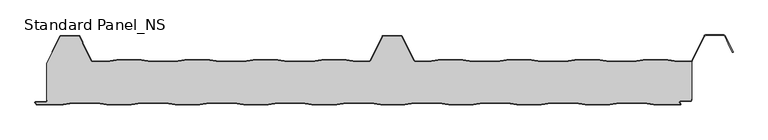
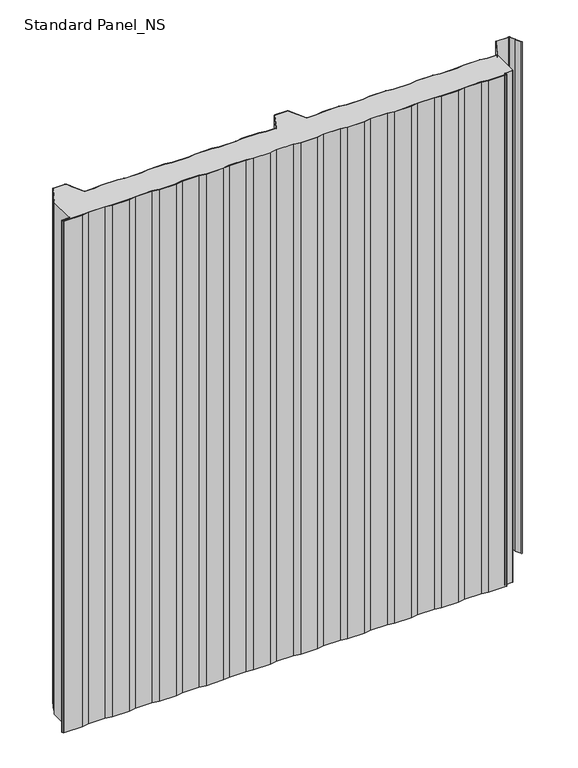
"""IFC4 building model written with IfcOpenShell, lengths in millimetres: proxy geometry, Standard Panel_NS."""

from ifc_helpers import new_model, si_unit, point, frame, frame_2d, origin, origin_with_axes, place, context, project, spatial, polyline, circle_curve, trimmed, segment, composite_curve, outline, extrude, source, transform, mapped, element, save
from ifc_brep_helpers import plane_surface, cylinder_surface, revolved_surface, advanced_brep


def standard_panel_ns_eb252aff(model_context):
    return source(origin(), model_context, "Body", "SolidModel", [
        advanced_brep(
        [(-464.8660923, 66.7, 1219.2), (-466.9237884, 67.9724364, 1219.2), (-480.4229673, 95.0045421, 1219.2), (-480.6503205, 95.7702853, 1219.2), (-480.840508, 97.4301555, 1219.2), (-485.0802057, 105.9201502, 1219.2), (-486.4221814, 106.75, 1219.2), (-513.5776371, 106.75, 1219.2), (-514.9196128, 105.9201502, 1219.2), (-535.7286766, 64.25, 1219.2), (-535.8382664, 8.130172, 1219.2), (-535.0382664, 8.130172, 1219.2), (-535.0382664, 6.2001721, 1219.2), (-537.2382661, 4.0001723, 1219.2), (-553.5680922, 4.0001723, 1219.2), (-551.4916498, 0.8, 1219.2), (-510.6394764, 0.8, 1219.2), (-495.6394764, 3.3, 1219.2), (-457.5070563, 3.3, 1219.2), (-442.5070563, 0.8, 1219.2), (-404.6394764, 0.8, 1219.2), (-389.6394764, 3.3, 1219.2), (-351.5070563, 3.3, 1219.2), (-336.5070563, 0.8, 1219.2), (-298.6394764, 0.8, 1219.2), (-283.6394764, 3.3, 1219.2), (-245.5070563, 3.3, 1219.2), (-230.5070563, 0.8, 1219.2), (-192.6394764, 0.8, 1219.2), (-177.6394764, 3.3, 1219.2), (-139.5070563, 3.3, 1219.2), (-124.5070563, 0.8, 1219.2), (-86.1394764, 0.8, 1219.2), (-71.1394764, 3.3, 1219.2), (-33.0070563, 3.3, 1219.2), (-18.0070563, 0.8, 1219.2), (19.3605236, 0.8, 1219.2), (34.3605236, 3.3, 1219.2), (72.4929437, 3.3, 1219.2), (87.4929437, 0.8, 1219.2), (125.3605236, 0.8, 1219.2), (140.3605236, 3.3, 1219.2), (178.4929437, 3.3, 1219.2), (193.4929437, 0.8, 1219.2), (231.3605236, 0.8, 1219.2), (246.3605236, 3.3, 1219.2), (284.4929437, 3.3, 1219.2), (299.4929437, 0.8, 1219.2), (337.3605236, 0.8, 1219.2), (352.3605236, 3.3, 1219.2), (390.4929437, 3.3, 1219.2), (405.4929437, 0.8, 1219.2), (446.6010518, 0.8, 1219.2), (444.965675, 3.3204106, 1219.2), (446.4756642, 6.1001721, 1219.2), (462.0617343, 6.1001721, 1219.2), (463.3617336, 7.4001714, 1219.2), (463.3617336, 9.4001722, 1219.2), (464.2, 9.4, 1219.2), (464.2327461, 67.1622719, 1219.2), (462.60413, 66.7, 1219.2), (442.3905918, 66.7, 1219.2), (427.5511987, 69.2, 1219.2), (389.4759874, 69.2, 1219.2), (374.6365943, 66.7, 1219.2), (336.3905918, 66.7, 1219.2), (321.5511987, 69.2, 1219.2), (283.4759874, 69.2, 1219.2), (268.6365943, 66.7, 1219.2), (230.3905918, 66.7, 1219.2), (215.5511987, 69.2, 1219.2), (177.4759874, 69.2, 1219.2), (162.6365943, 66.7, 1219.2), (124.3905918, 66.7, 1219.2), (109.5511987, 69.2, 1219.2), (71.4759874, 69.2, 1219.2), (56.6365943, 66.7, 1219.2), (36.4223629, 66.7, 1219.2), (33.6489464, 68.415023, 1219.2), (14.9197943, 105.9201502, 1219.2), (13.5778186, 106.75, 1219.2), (-13.5776371, 106.75, 1219.2), (-14.9196128, 105.9201502, 1219.2), (-33.648765, 68.415023, 1219.2), (-36.4221814, 66.7, 1219.2), (-56.6364129, 66.7, 1219.2), (-71.4758059, 69.2, 1219.2), (-109.5510173, 69.2, 1219.2), (-124.3904103, 66.7, 1219.2), (-162.6364129, 66.7, 1219.2), (-177.4758059, 69.2, 1219.2), (-215.5510173, 69.2, 1219.2), (-230.3904103, 66.7, 1219.2), (-268.6364129, 66.7, 1219.2), (-283.4758059, 69.2, 1219.2), (-321.5510173, 69.2, 1219.2), (-336.3904103, 66.7, 1219.2), (-374.6364129, 66.7, 1219.2), (-389.4758059, 69.2, 1219.2), (-427.5510173, 69.2, 1219.2), (-442.3904103, 66.7, 1219.2), (-464.8660923, 66.7, 0.0), (-442.3904103, 66.7, 0.0), (-427.5510173, 69.2, 0.0), (-389.4758059, 69.2, 0.0), (-374.6364129, 66.7, 0.0), (-336.3904103, 66.7, 0.0), (-321.5510173, 69.2, 0.0), (-283.4758059, 69.2, 0.0), (-268.6364129, 66.7, 0.0), (-230.3904103, 66.7, 0.0), (-215.5510173, 69.2, 0.0), (-177.4758059, 69.2, 0.0), (-162.6364129, 66.7, 0.0), (-124.3904103, 66.7, 0.0), (-109.5510173, 69.2, 0.0), (-71.4758059, 69.2, 0.0), (-56.6364129, 66.7, 0.0), (-36.4221814, 66.7, 0.0), (-33.648765, 68.415023, 0.0), (-14.9196128, 105.9201502, 0.0), (-13.5776371, 106.75, 0.0), (13.5778186, 106.75, 0.0), (14.9197943, 105.9201502, 0.0), (33.6489464, 68.415023, 0.0), (36.4223629, 66.7, 0.0), (56.6365943, 66.7, 0.0), (71.4759874, 69.2, 0.0), (109.5511987, 69.2, 0.0), (124.3905918, 66.7, 0.0), (162.6365943, 66.7, 0.0), (177.4759874, 69.2, 0.0), (215.5511987, 69.2, 0.0), (230.3905918, 66.7, 0.0), (268.6365943, 66.7, 0.0), (283.4759874, 69.2, 0.0), (321.5511987, 69.2, 0.0), (336.3905918, 66.7, 0.0), (374.6365943, 66.7, 0.0), (389.4759874, 69.2, 0.0), (427.5511987, 69.2, 0.0), (442.3905918, 66.7, 0.0), (462.60413, 66.7, 0.0), (464.2327461, 67.1622719, 0.0), (464.2, 9.4, 0.0), (463.3617336, 9.4, 0.0), (463.3617336, 7.4001714, 0.0), (462.0617343, 6.1001721, 0.0), (446.4756642, 6.1001721, 0.0), (444.965675, 3.3204106, 0.0), (446.6010518, 0.8, 0.0), (405.4929437, 0.8, 0.0), (390.4929437, 3.3, 0.0), (352.3605236, 3.3, 0.0), (337.3605236, 0.8, 0.0), (299.4929437, 0.8, 0.0), (284.4929437, 3.3, 0.0), (246.3605236, 3.3, 0.0), (231.3605236, 0.8, 0.0), (193.4929437, 0.8, 0.0), (178.4929437, 3.3, 0.0), (140.3605236, 3.3, 0.0), (125.3605236, 0.8, 0.0), (87.4929437, 0.8, 0.0), (72.4929437, 3.3, 0.0), (34.3605236, 3.3, 0.0), (19.3605236, 0.8, 0.0), (-18.0070563, 0.8, 0.0), (-33.0070563, 3.3, 0.0), (-71.1394764, 3.3, 0.0), (-86.1394764, 0.8, 0.0), (-124.5070563, 0.8, 0.0), (-139.5070563, 3.3, 0.0), (-177.6394764, 3.3, 0.0), (-192.6394764, 0.8, 0.0), (-230.5070563, 0.8, 0.0), (-245.5070563, 3.3, 0.0), (-283.6394764, 3.3, 0.0), (-298.6394764, 0.8, 0.0), (-336.5070563, 0.8, 0.0), (-351.5070563, 3.3, 0.0), (-389.6394764, 3.3, 0.0), (-404.6394764, 0.8, 0.0), (-442.5070563, 0.8, 0.0), (-457.5070563, 3.3, 0.0), (-495.6394764, 3.3, 0.0), (-510.6394764, 0.8, 0.0), (-551.4916498, 0.8, 0.0), (-553.5680922, 4.0001723, 0.0), (-537.2382661, 4.0001723, 0.0), (-535.0382664, 6.2001721, 0.0), (-535.0382664, 8.130172, 0.0), (-535.8382664, 8.130172, 0.0), (-535.7998185, 64.25, 0.0), (-514.9196128, 105.9201502, 0.0), (-513.5776371, 106.75, 0.0), (-486.4221814, 106.75, 0.0), (-485.0802057, 105.9201502, 0.0), (-480.840508, 97.4301555, 0.0), (-480.6503205, 95.7702853, 0.0), (-480.4229673, 95.0045421, 0.0), (-466.9237884, 67.9724364, 0.0)],
        [
            (0, 1, circle_curve(frame((-464.8660923, 69.0, 1219.2), z_axis=(0.0, 0.0, -1.0), x_axis=(-1.0, 0.0, 0.0)), 2.3)),
            (1, 2),
            (2, 3, circle_curve(frame((-478.3652712, 96.0321057, 1219.2), z_axis=(0.0, 0.0, -1.0), x_axis=(-1.0, 0.0, 0.0)), 2.3)),
            (3, 4),
            (4, 5),
            (5, 6, circle_curve(frame((-486.4221814, 105.25, 1219.2), z_axis=(0.0, 0.0, 1.0), x_axis=(-1.0, 0.0, 0.0)), 1.5)),
            (6, 7),
            (7, 8, circle_curve(frame((-513.5776371, 105.25, 1219.2), z_axis=(0.0, 0.0, 1.0), x_axis=(-1.0, 0.0, 0.0)), 1.5)),
            (8, 9),
            (9, 10),
            (10, 11),
            (11, 12),
            (12, 13, circle_curve(frame((-537.2382661, 6.2001721, 1219.2), z_axis=(0.0, 0.0, -1.0), x_axis=(-1.0, 0.0, 0.0)), 2.1999997)),
            (13, 14),
            (14, 15),
            (15, 16),
            (16, 17),
            (17, 18),
            (18, 19),
            (19, 20),
            (20, 21),
            (21, 22),
            (22, 23),
            (23, 24),
            (24, 25),
            (25, 26),
            (26, 27),
            (27, 28),
            (28, 29),
            (29, 30),
            (30, 31),
            (31, 32),
            (32, 33),
            (33, 34),
            (34, 35),
            (35, 36),
            (36, 37),
            (37, 38),
            (38, 39),
            (39, 40),
            (40, 41),
            (41, 42),
            (42, 43),
            (43, 44),
            (44, 45),
            (45, 46),
            (46, 47),
            (47, 48),
            (48, 49),
            (49, 50),
            (50, 51),
            (51, 52),
            (52, 53),
            (53, 54, circle_curve(frame((446.4756642, 4.3001721, 1219.2), z_axis=(0.0, 0.0, -1.0), x_axis=(-1.0, 0.0, 0.0)), 1.8)),
            (54, 55),
            (55, 56, circle_curve(frame((462.0617343, 7.4001714, 1219.2), z_axis=(0.0, 0.0, 1.0), x_axis=(-1.0, 0.0, 0.0)), 1.2999993)),
            (56, 57),
            (57, 58),
            (58, 59),
            (59, 60, circle_curve(frame((462.60413, 69.8, 1219.2), z_axis=(0.0, 0.0, -1.0), x_axis=(-1.0, 0.0, 0.0)), 3.1)),
            (60, 61),
            (61, 62),
            (62, 63),
            (63, 64),
            (64, 65),
            (65, 66),
            (66, 67),
            (67, 68),
            (68, 69),
            (69, 70),
            (70, 71),
            (71, 72),
            (72, 73),
            (73, 74),
            (74, 75),
            (75, 76),
            (76, 77),
            (77, 78, circle_curve(frame((36.4223629, 69.8, 1219.2), z_axis=(0.0, 0.0, -1.0), x_axis=(-1.0, 0.0, 0.0)), 3.1)),
            (78, 79),
            (79, 80, circle_curve(frame((13.5778186, 105.25, 1219.2), z_axis=(0.0, 0.0, 1.0), x_axis=(-1.0, 0.0, 0.0)), 1.5)),
            (80, 81),
            (81, 82, circle_curve(frame((-13.5776371, 105.25, 1219.2), z_axis=(0.0, 0.0, 1.0), x_axis=(-1.0, 0.0, 0.0)), 1.5)),
            (82, 83),
            (83, 84, circle_curve(frame((-36.4221814, 69.8, 1219.2), z_axis=(0.0, 0.0, -1.0), x_axis=(-1.0, 0.0, 0.0)), 3.1)),
            (84, 85),
            (85, 86),
            (86, 87),
            (87, 88),
            (88, 89),
            (89, 90),
            (90, 91),
            (91, 92),
            (92, 93),
            (93, 94),
            (94, 95),
            (95, 96),
            (96, 97),
            (97, 98),
            (98, 99),
            (99, 100),
            (100, 0),
            (101, 102),
            (102, 103),
            (103, 104),
            (104, 105),
            (105, 106),
            (106, 107),
            (107, 108),
            (108, 109),
            (109, 110),
            (110, 111),
            (111, 112),
            (112, 113),
            (113, 114),
            (114, 115),
            (115, 116),
            (116, 117),
            (117, 118),
            (118, 119, circle_curve(frame((-36.4221814, 69.8, 0.0), z_axis=(0.0, 0.0, 1.0), x_axis=(-1.0, 0.0, 0.0)), 3.1)),
            (119, 120),
            (120, 121, circle_curve(frame((-13.5776371, 105.25, 0.0), z_axis=(0.0, 0.0, -1.0), x_axis=(-1.0, 0.0, 0.0)), 1.5)),
            (121, 122),
            (122, 123, circle_curve(frame((13.5778186, 105.25, 0.0), z_axis=(0.0, 0.0, -1.0), x_axis=(-1.0, 0.0, 0.0)), 1.5)),
            (123, 124),
            (124, 125, circle_curve(frame((36.4223629, 69.8, 0.0), z_axis=(0.0, 0.0, 1.0), x_axis=(-1.0, 0.0, 0.0)), 3.1)),
            (125, 126),
            (126, 127),
            (127, 128),
            (128, 129),
            (129, 130),
            (130, 131),
            (131, 132),
            (132, 133),
            (133, 134),
            (134, 135),
            (135, 136),
            (136, 137),
            (137, 138),
            (138, 139),
            (139, 140),
            (140, 141),
            (141, 142),
            (142, 143, circle_curve(frame((462.60413, 69.8, 0.0), z_axis=(0.0, 0.0, 1.0), x_axis=(-1.0, 0.0, 0.0)), 3.1)),
            (143, 144),
            (144, 145),
            (145, 146),
            (146, 147, circle_curve(frame((462.0617343, 7.4001714, 0.0), z_axis=(0.0, 0.0, -1.0), x_axis=(-1.0, 0.0, 0.0)), 1.2999993)),
            (147, 148),
            (148, 149, circle_curve(frame((446.4756642, 4.3001721, 0.0), z_axis=(0.0, 0.0, 1.0), x_axis=(-1.0, 0.0, 0.0)), 1.8)),
            (149, 150),
            (150, 151),
            (151, 152),
            (152, 153),
            (153, 154),
            (154, 155),
            (155, 156),
            (156, 157),
            (157, 158),
            (158, 159),
            (159, 160),
            (160, 161),
            (161, 162),
            (162, 163),
            (163, 164),
            (164, 165),
            (165, 166),
            (166, 167),
            (167, 168),
            (168, 169),
            (169, 170),
            (170, 171),
            (171, 172),
            (172, 173),
            (173, 174),
            (174, 175),
            (175, 176),
            (176, 177),
            (177, 178),
            (178, 179),
            (179, 180),
            (180, 181),
            (181, 182),
            (182, 183),
            (183, 184),
            (184, 185),
            (185, 186),
            (186, 187),
            (187, 188),
            (188, 189),
            (189, 190, circle_curve(frame((-537.2382661, 6.2001721, 0.0), z_axis=(0.0, 0.0, 1.0), x_axis=(-1.0, 0.0, 0.0)), 2.1999997)),
            (190, 191),
            (191, 192),
            (192, 193),
            (193, 194),
            (194, 195, circle_curve(frame((-513.5776371, 105.25, 0.0), z_axis=(0.0, 0.0, -1.0), x_axis=(-1.0, 0.0, 0.0)), 1.5)),
            (195, 196),
            (196, 197, circle_curve(frame((-486.4221814, 105.25, 0.0), z_axis=(0.0, 0.0, -1.0), x_axis=(-1.0, 0.0, 0.0)), 1.5)),
            (197, 198),
            (198, 199),
            (199, 200, circle_curve(frame((-478.3652712, 96.0321057, 0.0), z_axis=(0.0, 0.0, 1.0), x_axis=(-1.0, 0.0, 0.0)), 2.3)),
            (200, 201),
            (201, 101, circle_curve(frame((-464.8660923, 69.0, 0.0), z_axis=(0.0, 0.0, 1.0), x_axis=(-1.0, 0.0, 0.0)), 2.3)),
            (0, 101),
            (201, 1),
            (200, 2),
            (199, 3),
            (198, 4),
            (197, 5),
            (196, 6),
            (195, 7),
            (194, 8),
            (193, 9),
            (143, 59),
            (58, 144),
            (142, 60),
            (141, 61),
            (140, 62),
            (139, 63),
            (138, 64),
            (137, 65),
            (136, 66),
            (135, 67),
            (134, 68),
            (133, 69),
            (132, 70),
            (131, 71),
            (130, 72),
            (129, 73),
            (128, 74),
            (127, 75),
            (126, 76),
            (125, 77),
            (124, 78),
            (123, 79),
            (122, 80),
            (121, 81),
            (120, 82),
            (119, 83),
            (118, 84),
            (117, 85),
            (116, 86),
            (115, 87),
            (114, 88),
            (113, 89),
            (112, 90),
            (111, 91),
            (110, 92),
            (109, 93),
            (108, 94),
            (107, 95),
            (106, 96),
            (105, 97),
            (104, 98),
            (103, 99),
            (102, 100),
            (57, 145),
            (192, 10),
            (12, 190),
            (189, 13),
            (188, 14),
            (187, 15),
            (186, 16),
            (185, 17),
            (184, 18),
            (183, 19),
            (182, 20),
            (181, 21),
            (180, 22),
            (179, 23),
            (178, 24),
            (177, 25),
            (176, 26),
            (175, 27),
            (174, 28),
            (173, 29),
            (172, 30),
            (171, 31),
            (170, 32),
            (169, 33),
            (168, 34),
            (167, 35),
            (166, 36),
            (165, 37),
            (164, 38),
            (163, 39),
            (162, 40),
            (161, 41),
            (160, 42),
            (159, 43),
            (158, 44),
            (157, 45),
            (156, 46),
            (155, 47),
            (154, 48),
            (153, 49),
            (152, 50),
            (151, 51),
            (150, 52),
            (149, 53),
            (148, 54),
            (147, 55),
            (146, 56),
            (191, 11),
        ],
        [
            plane_surface(frame((9.07e-05, 69.2, 1219.2), z_axis=(0.0, 0.0, 1.0), x_axis=(0.0, 1.0, 0.0))),
            plane_surface(frame((9.07e-05, 69.2, 0.0), z_axis=(0.0, 0.0, -1.0), x_axis=(0.0, 1.0, 0.0))),
            revolved_surface(polyline([(-467.1660923, 69.0, 0.0), (-467.1660923, 69.0, 1219.2)]), (-464.8660923, 69.0, 1219.2), (0.0, 0.0, -1.0)),
            plane_surface(frame((-466.9237884, 67.9724364, 1219.2), z_axis=(0.8946504628058127, 0.44676677293789996, 0.0), x_axis=(0.0, 0.0, -1.0))),
            revolved_surface(polyline([(-480.6652712, 96.0321057, 0.0), (-480.6652712, 96.0321057, 1219.2)]), (-478.3652712, 96.0321057, 1219.2), (0.0, 0.0, -1.0)),
            plane_surface(frame((-480.6503205, 95.7702853, 1219.2), z_axis=(0.9934996737929253, 0.113834960242235, 0.0), x_axis=(0.0, 0.0, -1.0))),
            plane_surface(frame((-480.840508, 97.4301555, 1219.2), z_axis=(0.8946504628055771, 0.44676677293837186, 0.0), x_axis=(0.0, 0.0, -1.0))),
            cylinder_surface(frame((-486.4221814, 105.25, 1219.2), z_axis=(0.0, 0.0, 1.0), x_axis=(-1.0, 0.0, 0.0)), 1.5),
            plane_surface(frame((-486.4221814, 106.75, 1219.2), z_axis=(0.0, 1.0, 0.0), x_axis=(0.0, 0.0, -1.0))),
            cylinder_surface(frame((-513.5776371, 105.25, 1219.2), z_axis=(0.0, 0.0, 1.0), x_axis=(-1.0, 0.0, 0.0)), 1.5),
            plane_surface(frame((-514.9196128, 105.9201502, 1219.2), z_axis=(-0.8946504628064579, 0.44676677293660805, 0.0), x_axis=(0.0, 0.0, -1.0))),
            plane_surface(frame((464.2327461, 64.25, 1219.2), z_axis=(1.0, 0.0, 0.0), x_axis=(0.0, 0.0, -1.0))),
            revolved_surface(polyline([(459.50413, 69.8, 0.0), (459.50413, 69.8, 1219.2)]), (462.60413, 69.8, 1219.2), (0.0, 0.0, -1.0)),
            plane_surface(frame((462.60413, 66.7, 1219.2), z_axis=(0.0, 1.0, 0.0), x_axis=(0.0, 0.0, -1.0))),
            plane_surface(frame((442.3905918, 66.7, 1219.2), z_axis=(0.16612942863435848, 0.9861039564577467, 0.0), x_axis=(0.0, 0.0, -1.0))),
            plane_surface(frame((427.5511987, 69.2, 1219.2), z_axis=(0.0, 1.0, 0.0), x_axis=(0.0, 0.0, -1.0))),
            plane_surface(frame((389.4759874, 69.2, 1219.2), z_axis=(-0.16612942863454067, 0.9861039564577161, 0.0), x_axis=(0.0, 0.0, -1.0))),
            plane_surface(frame((374.6365943, 66.7, 1219.2), z_axis=(0.0, 1.0, 0.0), x_axis=(0.0, 0.0, -1.0))),
            plane_surface(frame((336.3905918, 66.7, 1219.2), z_axis=(0.1661294286345235, 0.986103956457719, 0.0), x_axis=(0.0, 0.0, -1.0))),
            plane_surface(frame((321.5511987, 69.2, 1219.2), z_axis=(0.0, 1.0, 0.0), x_axis=(0.0, 0.0, -1.0))),
            plane_surface(frame((283.4759874, 69.2, 1219.2), z_axis=(-0.16612942863454067, 0.9861039564577161, 0.0), x_axis=(0.0, 0.0, -1.0))),
            plane_surface(frame((268.6365943, 66.7, 1219.2), z_axis=(0.0, 1.0, 0.0), x_axis=(0.0, 0.0, -1.0))),
            plane_surface(frame((230.3905918, 66.7, 1219.2), z_axis=(0.16612942863435848, 0.9861039564577467, 0.0), x_axis=(0.0, 0.0, -1.0))),
            plane_surface(frame((215.5511987, 69.2, 1219.2), z_axis=(0.0, 1.0, 0.0), x_axis=(0.0, 0.0, -1.0))),
            plane_surface(frame((177.4759874, 69.2, 1219.2), z_axis=(-0.16612942863472926, 0.9861039564576843, 0.0), x_axis=(0.0, 0.0, -1.0))),
            plane_surface(frame((162.6365943, 66.7, 1219.2), z_axis=(0.0, 1.0, 0.0), x_axis=(0.0, 0.0, -1.0))),
            plane_surface(frame((124.3905918, 66.7, 1219.2), z_axis=(0.1661294286345235, 0.986103956457719, 0.0), x_axis=(0.0, 0.0, -1.0))),
            plane_surface(frame((109.5511987, 69.2, 1219.2), z_axis=(0.0, 1.0, 0.0), x_axis=(0.0, 0.0, -1.0))),
            plane_surface(frame((71.4759874, 69.2, 1219.2), z_axis=(-0.16612942863435204, 0.9861039564577478, 0.0), x_axis=(0.0, 0.0, -1.0))),
            plane_surface(frame((56.6365943, 66.7, 1219.2), z_axis=(0.0, 1.0, 0.0), x_axis=(0.0, 0.0, -1.0))),
            revolved_surface(polyline([(33.3223629, 69.8, 0.0), (33.3223629, 69.8, 1219.2)]), (36.4223629, 69.8, 1219.2), (0.0, 0.0, -1.0)),
            plane_surface(frame((33.6489464, 68.415023, 1219.2), z_axis=(0.8946504628060804, 0.44676677293736405, 0.0), x_axis=(0.0, 0.0, -1.0))),
            cylinder_surface(frame((13.5778186, 105.25, 1219.2), z_axis=(0.0, 0.0, 1.0), x_axis=(-1.0, 0.0, 0.0)), 1.5),
            plane_surface(frame((13.5778186, 106.75, 1219.2), z_axis=(0.0, 1.0, 0.0), x_axis=(0.0, 0.0, -1.0))),
            cylinder_surface(frame((-13.5776371, 105.25, 1219.2), z_axis=(0.0, 0.0, 1.0), x_axis=(-1.0, 0.0, 0.0)), 1.5),
            plane_surface(frame((-14.9196128, 105.9201502, 1219.2), z_axis=(-0.8946504628059846, 0.4467667729375559, 0.0), x_axis=(0.0, 0.0, -1.0))),
            revolved_surface(polyline([(-39.5221814, 69.8, 0.0), (-39.5221814, 69.8, 1219.2)]), (-36.4221814, 69.8, 1219.2), (0.0, 0.0, -1.0)),
            plane_surface(frame((-36.4221814, 66.7, 1219.2), z_axis=(0.0, 1.0, 0.0), x_axis=(0.0, 0.0, -1.0))),
            plane_surface(frame((-56.6364129, 66.7, 1219.2), z_axis=(0.16612942863461477, 0.9861039564577035, 0.0), x_axis=(0.0, 0.0, -1.0))),
            plane_surface(frame((-71.4758059, 69.2, 1219.2), z_axis=(0.0, 1.0, 0.0), x_axis=(0.0, 0.0, -1.0))),
            plane_surface(frame((-109.5510173, 69.2, 1219.2), z_axis=(-0.16612942863482053, 0.9861039564576689, 0.0), x_axis=(0.0, 0.0, -1.0))),
            plane_surface(frame((-124.3904103, 66.7, 1219.2), z_axis=(0.0, 1.0, 0.0), x_axis=(0.0, 0.0, -1.0))),
            plane_surface(frame((-162.6364129, 66.7, 1219.2), z_axis=(0.16612942863457067, 0.986103956457711, 0.0), x_axis=(0.0, 0.0, -1.0))),
            plane_surface(frame((-177.4758059, 69.2, 1219.2), z_axis=(0.0, 1.0, 0.0), x_axis=(0.0, 0.0, -1.0))),
            plane_surface(frame((-215.5510173, 69.2, 1219.2), z_axis=(-0.16612942863435204, 0.9861039564577478, 0.0), x_axis=(0.0, 0.0, -1.0))),
            plane_surface(frame((-230.3904103, 66.7, 1219.2), z_axis=(0.0, 1.0, 0.0), x_axis=(0.0, 0.0, -1.0))),
            plane_surface(frame((-268.6364129, 66.7, 1219.2), z_axis=(0.1661294286345471, 0.986103956457715, 0.0), x_axis=(0.0, 0.0, -1.0))),
            plane_surface(frame((-283.4758059, 69.2, 1219.2), z_axis=(0.0, 1.0, 0.0), x_axis=(0.0, 0.0, -1.0))),
            plane_surface(frame((-321.5510173, 69.2, 1219.2), z_axis=(-0.16612942863454067, 0.9861039564577161, 0.0), x_axis=(0.0, 0.0, -1.0))),
            plane_surface(frame((-336.3904103, 66.7, 1219.2), z_axis=(0.0, 1.0, 0.0), x_axis=(0.0, 0.0, -1.0))),
            plane_surface(frame((-374.6364129, 66.7, 1219.2), z_axis=(0.1661294286345471, 0.986103956457715, 0.0), x_axis=(0.0, 0.0, -1.0))),
            plane_surface(frame((-389.4758059, 69.2, 1219.2), z_axis=(0.0, 1.0, 0.0), x_axis=(0.0, 0.0, -1.0))),
            plane_surface(frame((-427.5510173, 69.2, 1219.2), z_axis=(-0.16612942863472926, 0.9861039564576843, 0.0), x_axis=(0.0, 0.0, -1.0))),
            plane_surface(frame((-442.3904103, 66.7, 1219.2), z_axis=(0.0, 1.0, 0.0), x_axis=(0.0, 0.0, -1.0))),
            plane_surface(frame((-535.7998185, 9.4, 1219.2), z_axis=(0.0, -1.0, 0.0), x_axis=(0.0, 0.0, -1.0))),
            plane_surface(frame((-535.7998185, 64.25, 1219.2), z_axis=(-1.0, 0.0, 0.0), x_axis=(0.0, 0.0, -1.0))),
            revolved_surface(polyline([(-539.4382658000001, 6.2001721, 0.0), (-539.4382658000001, 6.2001721, 1219.2)]), (-537.2382661, 6.2001721, 1219.2), (0.0, 0.0, -1.0)),
            plane_surface(frame((-537.2382661, 4.0001723, 1219.2), z_axis=(0.0, 1.0, 0.0), x_axis=(0.0, 0.0, -1.0))),
            plane_surface(frame((-553.5680922, 4.0001723, 1219.2), z_axis=(-0.8388828900560089, -0.5443119480328152, 0.0), x_axis=(0.0, 0.0, -1.0))),
            plane_surface(frame((-551.4916498, 0.8, 1219.2), z_axis=(0.0, -1.0, 0.0), x_axis=(0.0, 0.0, -1.0))),
            plane_surface(frame((-510.6394764, 0.8, 1219.2), z_axis=(0.16439898730529637, -0.986393923832154, 0.0), x_axis=(0.0, 0.0, -1.0))),
            plane_surface(frame((-495.6394764, 3.3, 1219.2), z_axis=(0.0, -1.0, 0.0), x_axis=(0.0, 0.0, -1.0))),
            plane_surface(frame((-457.5070563, 3.3, 1219.2), z_axis=(-0.1643989873053497, -0.9863939238321451, 0.0), x_axis=(0.0, 0.0, -1.0))),
            plane_surface(frame((-442.5070563, 0.8, 1219.2), z_axis=(0.0, -1.0, 0.0), x_axis=(0.0, 0.0, -1.0))),
            plane_surface(frame((-404.6394764, 0.8, 1219.2), z_axis=(0.16439898730534544, -0.9863939238321457, 0.0), x_axis=(0.0, 0.0, -1.0))),
            plane_surface(frame((-389.6394764, 3.3, 1219.2), z_axis=(0.0, -1.0, 0.0), x_axis=(0.0, 0.0, -1.0))),
            plane_surface(frame((-351.5070563, 3.3, 1219.2), z_axis=(-0.16439898730537528, -0.9863939238321408, 0.0), x_axis=(0.0, 0.0, -1.0))),
            plane_surface(frame((-336.5070563, 0.8, 1219.2), z_axis=(0.0, -1.0, 0.0), x_axis=(0.0, 0.0, -1.0))),
            plane_surface(frame((-298.6394764, 0.8, 1219.2), z_axis=(0.16439898730518882, -0.9863939238321718, 0.0), x_axis=(0.0, 0.0, -1.0))),
            plane_surface(frame((-283.6394764, 3.3, 1219.2), z_axis=(0.0, -1.0, 0.0), x_axis=(0.0, 0.0, -1.0))),
            plane_surface(frame((-245.5070563, 3.3, 1219.2), z_axis=(-0.16439898730526595, -0.986393923832159, 0.0), x_axis=(0.0, 0.0, -1.0))),
            plane_surface(frame((-230.5070563, 0.8, 1219.2), z_axis=(0.0, -1.0, 0.0), x_axis=(0.0, 0.0, -1.0))),
            plane_surface(frame((-192.6394764, 0.8, 1219.2), z_axis=(0.1643989873054454, -0.9863939238321291, 0.0), x_axis=(0.0, 0.0, -1.0))),
            plane_surface(frame((-177.6394764, 3.3, 1219.2), z_axis=(0.0, -1.0, 0.0), x_axis=(0.0, 0.0, -1.0))),
            plane_surface(frame((-139.5070563, 3.3, 1219.2), z_axis=(-0.16439898730351146, -0.9863939238324514, 0.0), x_axis=(0.0, 0.0, -1.0))),
            plane_surface(frame((-124.5070563, 0.8, 1219.2), z_axis=(0.0, -1.0, 0.0), x_axis=(0.0, 0.0, -1.0))),
            plane_surface(frame((-86.1394764, 0.8, 1219.2), z_axis=(0.16439898730531116, -0.9863939238321515, 0.0), x_axis=(0.0, 0.0, -1.0))),
            plane_surface(frame((-71.1394764, 3.3, 1219.2), z_axis=(0.0, -1.0, 0.0), x_axis=(0.0, 0.0, -1.0))),
            plane_surface(frame((-33.0070563, 3.3, 1219.2), z_axis=(-0.1643989873007139, -0.9863939238329177, 0.0), x_axis=(0.0, 0.0, -1.0))),
            plane_surface(frame((-18.0070563, 0.8, 1219.2), z_axis=(0.0, -1.0, 0.0), x_axis=(0.0, 0.0, -1.0))),
            plane_surface(frame((19.3605236, 0.8, 1219.2), z_axis=(0.16439898730276062, -0.9863939238325765, 0.0), x_axis=(0.0, 0.0, -1.0))),
            plane_surface(frame((34.3605236, 3.3, 1219.2), z_axis=(0.0, -1.0, 0.0), x_axis=(0.0, 0.0, -1.0))),
            plane_surface(frame((72.4929437, 3.3, 1219.2), z_axis=(-0.1643989873053467, -0.9863939238321456, 0.0), x_axis=(0.0, 0.0, -1.0))),
            plane_surface(frame((87.4929437, 0.8, 1219.2), z_axis=(0.0, -1.0, 0.0), x_axis=(0.0, 0.0, -1.0))),
            plane_surface(frame((125.3605236, 0.8, 1219.2), z_axis=(0.1643989873053679, -0.9863939238321421, 0.0), x_axis=(0.0, 0.0, -1.0))),
            plane_surface(frame((140.3605236, 3.3, 1219.2), z_axis=(0.0, -1.0, 0.0), x_axis=(0.0, 0.0, -1.0))),
            plane_surface(frame((178.4929437, 3.3, 1219.2), z_axis=(-0.1643989873053467, -0.9863939238321456, 0.0), x_axis=(0.0, 0.0, -1.0))),
            plane_surface(frame((193.4929437, 0.8, 1219.2), z_axis=(0.0, -1.0, 0.0), x_axis=(0.0, 0.0, -1.0))),
            plane_surface(frame((231.3605236, 0.8, 1219.2), z_axis=(0.16439898730518315, -0.9863939238321728, 0.0), x_axis=(0.0, 0.0, -1.0))),
            plane_surface(frame((246.3605236, 3.3, 1219.2), z_axis=(0.0, -1.0, 0.0), x_axis=(0.0, 0.0, -1.0))),
            plane_surface(frame((284.4929437, 3.3, 1219.2), z_axis=(-0.1643989873053467, -0.9863939238321456, 0.0), x_axis=(0.0, 0.0, -1.0))),
            plane_surface(frame((299.4929437, 0.8, 1219.2), z_axis=(0.0, -1.0, 0.0), x_axis=(0.0, 0.0, -1.0))),
            plane_surface(frame((337.3605236, 0.8, 1219.2), z_axis=(0.1643989873053679, -0.9863939238321421, 0.0), x_axis=(0.0, 0.0, -1.0))),
            plane_surface(frame((352.3605236, 3.3, 1219.2), z_axis=(0.0, -1.0, 0.0), x_axis=(0.0, 0.0, -1.0))),
            plane_surface(frame((390.4929437, 3.3, 1219.2), z_axis=(-0.16439898730516195, -0.9863939238321764, 0.0), x_axis=(0.0, 0.0, -1.0))),
            plane_surface(frame((405.4929437, 0.8, 1219.2), z_axis=(0.0, -1.0, 0.0), x_axis=(0.0, 0.0, -1.0))),
            plane_surface(frame((446.6010518, 0.8, 1219.2), z_axis=(0.8388828900539764, 0.5443119480359477, 0.0), x_axis=(0.0, 0.0, -1.0))),
            revolved_surface(polyline([(444.67566419999997, 4.3001721, 0.0), (444.67566419999997, 4.3001721, 1219.2)]), (446.4756642, 4.3001721, 1219.2), (0.0, 0.0, -1.0)),
            plane_surface(frame((446.4756642, 6.1001721, 1219.2), z_axis=(0.0, -1.0, 0.0), x_axis=(0.0, 0.0, -1.0))),
            cylinder_surface(frame((462.0617343, 7.4001714, 1219.2), z_axis=(0.0, 0.0, 1.0), x_axis=(-1.0, 0.0, 0.0)), 1.2999993),
            plane_surface(frame((463.3617336, 7.4001714, 1219.2), z_axis=(1.0, 0.0, 0.0), x_axis=(0.0, 0.0, -1.0))),
            plane_surface(frame((-535.8382664, 8.130172, 1219.2), z_axis=(0.0, -1.0, 0.0), x_axis=(0.0, 0.0, -1.0))),
            plane_surface(frame((-535.0382664, 8.130172, 1219.2), z_axis=(-1.0, 0.0, 0.0), x_axis=(0.0, 0.0, -1.0))),
        ],
        [
            (0, [[1, 2, 3, 4, 5, 6, 7, 8, 9, 10, 11, 12, 13, 14, 15, 16, 17, 18, 19, 20, 21, 22, 23, 24, 25, 26, 27, 28, 29, 30, 31, 32, 33, 34, 35, 36, 37, 38, 39, 40, 41, 42, 43, 44, 45, 46, 47, 48, 49, 50, 51, 52, 53, 54, 55, 56, 57, 58, 59, 60, 61, 62, 63, 64, 65, 66, 67, 68, 69, 70, 71, 72, 73, 74, 75, 76, 77, 78, 79, 80, 81, 82, 83, 84, 85, 86, 87, 88, 89, 90, 91, 92, 93, 94, 95, 96, 97, 98, 99, 100, 101]]),
            (1, [[102, 103, 104, 105, 106, 107, 108, 109, 110, 111, 112, 113, 114, 115, 116, 117, 118, 119, 120, 121, 122, 123, 124, 125, 126, 127, 128, 129, 130, 131, 132, 133, 134, 135, 136, 137, 138, 139, 140, 141, 142, 143, 144, 145, 146, 147, 148, 149, 150, 151, 152, 153, 154, 155, 156, 157, 158, 159, 160, 161, 162, 163, 164, 165, 166, 167, 168, 169, 170, 171, 172, 173, 174, 175, 176, 177, 178, 179, 180, 181, 182, 183, 184, 185, 186, 187, 188, 189, 190, 191, 192, 193, 194, 195, 196, 197, 198, 199, 200, 201, 202]]),
            (2, [[-1, 203, -202, 204]]),
            (3, [[-2, -204, -201, 205]]),
            (4, [[-3, -205, -200, 206]]),
            (5, [[-4, -206, -199, 207]]),
            (6, [[-5, -207, -198, 208]]),
            (7, [[-6, -208, -197, 209]]),
            (8, [[-7, -209, -196, 210]]),
            (9, [[-8, -210, -195, 211]]),
            (10, [[-9, -211, -194, 212]]),
            (11, [[213, -59, 214, -144]]),
            (12, [[-60, -213, -143, 215]]),
            (13, [[-61, -215, -142, 216]]),
            (14, [[-62, -216, -141, 217]]),
            (15, [[-63, -217, -140, 218]]),
            (16, [[-64, -218, -139, 219]]),
            (17, [[-65, -219, -138, 220]]),
            (18, [[-66, -220, -137, 221]]),
            (19, [[-67, -221, -136, 222]]),
            (20, [[-68, -222, -135, 223]]),
            (21, [[-69, -223, -134, 224]]),
            (22, [[-70, -224, -133, 225]]),
            (23, [[-71, -225, -132, 226]]),
            (24, [[-72, -226, -131, 227]]),
            (25, [[-73, -227, -130, 228]]),
            (26, [[-74, -228, -129, 229]]),
            (27, [[-75, -229, -128, 230]]),
            (28, [[-76, -230, -127, 231]]),
            (29, [[-77, -231, -126, 232]]),
            (30, [[-78, -232, -125, 233]]),
            (31, [[-79, -233, -124, 234]]),
            (32, [[-80, -234, -123, 235]]),
            (33, [[-81, -235, -122, 236]]),
            (34, [[-82, -236, -121, 237]]),
            (35, [[-83, -237, -120, 238]]),
            (36, [[-84, -238, -119, 239]]),
            (37, [[-85, -239, -118, 240]]),
            (38, [[-86, -240, -117, 241]]),
            (39, [[-87, -241, -116, 242]]),
            (40, [[-88, -242, -115, 243]]),
            (41, [[-89, -243, -114, 244]]),
            (42, [[-90, -244, -113, 245]]),
            (43, [[-91, -245, -112, 246]]),
            (44, [[-92, -246, -111, 247]]),
            (45, [[-93, -247, -110, 248]]),
            (46, [[-94, -248, -109, 249]]),
            (47, [[-95, -249, -108, 250]]),
            (48, [[-96, -250, -107, 251]]),
            (49, [[-97, -251, -106, 252]]),
            (50, [[-98, -252, -105, 253]]),
            (51, [[-99, -253, -104, 254]]),
            (52, [[-100, -254, -103, 255]]),
            (53, [[-101, -255, -102, -203]]),
            (54, [[-214, -58, 256, -145]]),
            (55, [[-10, -212, -193, 257]]),
            (56, [[-13, 258, -190, 259]]),
            (57, [[-14, -259, -189, 260]]),
            (58, [[-15, -260, -188, 261]]),
            (59, [[-16, -261, -187, 262]]),
            (60, [[-17, -262, -186, 263]]),
            (61, [[-18, -263, -185, 264]]),
            (62, [[-19, -264, -184, 265]]),
            (63, [[-20, -265, -183, 266]]),
            (64, [[-21, -266, -182, 267]]),
            (65, [[-22, -267, -181, 268]]),
            (66, [[-23, -268, -180, 269]]),
            (67, [[-24, -269, -179, 270]]),
            (68, [[-25, -270, -178, 271]]),
            (69, [[-26, -271, -177, 272]]),
            (70, [[-27, -272, -176, 273]]),
            (71, [[-28, -273, -175, 274]]),
            (72, [[-29, -274, -174, 275]]),
            (73, [[-30, -275, -173, 276]]),
            (74, [[-31, -276, -172, 277]]),
            (75, [[-32, -277, -171, 278]]),
            (76, [[-33, -278, -170, 279]]),
            (77, [[-34, -279, -169, 280]]),
            (78, [[-35, -280, -168, 281]]),
            (79, [[-36, -281, -167, 282]]),
            (80, [[-37, -282, -166, 283]]),
            (81, [[-38, -283, -165, 284]]),
            (82, [[-39, -284, -164, 285]]),
            (83, [[-40, -285, -163, 286]]),
            (84, [[-41, -286, -162, 287]]),
            (85, [[-42, -287, -161, 288]]),
            (86, [[-43, -288, -160, 289]]),
            (87, [[-44, -289, -159, 290]]),
            (88, [[-45, -290, -158, 291]]),
            (89, [[-46, -291, -157, 292]]),
            (90, [[-47, -292, -156, 293]]),
            (91, [[-48, -293, -155, 294]]),
            (92, [[-49, -294, -154, 295]]),
            (93, [[-50, -295, -153, 296]]),
            (94, [[-51, -296, -152, 297]]),
            (95, [[-52, -297, -151, 298]]),
            (96, [[-53, -298, -150, 299]]),
            (97, [[-54, -299, -149, 300]]),
            (98, [[-55, -300, -148, 301]]),
            (99, [[-56, -301, -147, 302]]),
            (100, [[-57, -302, -146, -256]]),
            (101, [[-11, -257, -192, 303]]),
            (102, [[-12, -303, -191, -258]]),
        ],
    ),
        extrude(outline(composite_curve([segment(polyline([(-535.8382664, 6.2001721), (-535.8382664, 8.130172), (-535.0382664, 8.130172), (-535.0382664, 6.2001721)]), True, "CONTINUOUS"), segment(trimmed(circle_curve(frame_2d((-537.2382661, 6.2001721)), 2.1999997), [point((-535.0382664, 6.2001721))], [point((-537.2382661, 4.0001723))], False, "CARTESIAN"), True, "CONTINUOUS"), segment(polyline([(-537.2382661, 4.0001723), (-553.5680922, 4.0001723), (-551.4916498, 0.8), (-510.6394764, 0.8), (-495.6394764, 3.3), (-457.5070563, 3.3), (-442.5070563, 0.8), (-404.6394764, 0.8), (-389.6394764, 3.3), (-351.5070563, 3.3), (-336.5070563, 0.8), (-298.6394764, 0.8), (-283.6394764, 3.3), (-245.5070563, 3.3), (-230.5070563, 0.8), (-192.6394764, 0.8), (-177.6394764, 3.3), (-139.5070563, 3.3), (-124.5070563, 0.8), (-86.1394764, 0.8), (-71.1394764, 3.3), (-33.0070563, 3.3), (-18.0070563, 0.8), (19.3605236, 0.8), (34.3605236, 3.3), (72.4929437, 3.3), (87.4929437, 0.8), (125.3605236, 0.8), (140.3605236, 3.3), (178.4929437, 3.3), (193.4929437, 0.8), (231.3605236, 0.8), (246.3605236, 3.3), (284.4929437, 3.3), (299.4929437, 0.8), (337.3605236, 0.8), (352.3605236, 3.3), (390.4929437, 3.3), (405.4929437, 0.8), (446.6010518, 0.8), (444.965675, 3.3204106)]), True, "CONTINUOUS"), segment(trimmed(circle_curve(frame_2d((446.4756642, 4.3001721)), 1.8), [point((444.965675, 3.3204106))], [point((446.4756642, 6.1001721))], False, "CARTESIAN"), True, "CONTINUOUS"), segment(polyline([(446.4756642, 6.1001721), (462.0617343, 6.1001721)]), True, "CONTINUOUS"), segment(trimmed(circle_curve(frame_2d((462.0617343, 7.4001714)), 1.2999993), [point((462.0617343, 6.1001721))], [point((463.3617336, 7.4001714))], True, "CARTESIAN"), True, "CONTINUOUS"), segment(polyline([(463.3617336, 7.4001714), (463.3617336, 9.4001722), (464.1617336, 9.4001722), (464.1617336, 7.4001714)]), True, "CONTINUOUS"), segment(trimmed(circle_curve(frame_2d((462.0617343, 7.4001714)), 2.0999993), [point((464.1617336, 7.4001714))], [point((462.0617343, 5.3001721))], False, "CARTESIAN"), True, "CONTINUOUS"), segment(polyline([(462.0617343, 5.3001721), (446.4756642, 5.3001721)]), True, "CONTINUOUS"), segment(trimmed(circle_curve(frame_2d((446.4756642, 4.3001721)), 1.0), [point((446.4756642, 5.3001721))], [point((445.6367813, 3.7558601))], True, "CARTESIAN"), True, "CONTINUOUS"), segment(polyline([(445.6367813, 3.7558601), (447.0717517, 1.5443119)]), True, "CONTINUOUS"), segment(trimmed(circle_curve(frame_2d((446.2328688, 1.0)), 1.0), [point((447.0717517, 1.5443119))], [point((446.2328688, 0.0))], False, "CARTESIAN"), True, "CONTINUOUS"), segment(polyline([(446.2328688, 0.0), (405.4267336, 0.0), (390.4267336, 2.5), (352.4267336, 2.5), (337.4267336, 0.0), (299.4267336, 0.0), (284.4267336, 2.5), (246.4267336, 2.5), (231.4267336, 0.0), (193.4267336, 0.0), (178.4267336, 2.5), (140.4267336, 2.5), (125.4267336, 0.0), (87.4267336, 0.0), (72.4267336, 2.5), (34.4267336, 2.5), (19.4267336, 0.0), (-18.0732664, 0.0), (-33.0732664, 2.5), (-71.0732664, 2.5), (-86.0732664, 0.0), (-124.5732664, 0.0), (-139.5732664, 2.5), (-177.5732664, 2.5), (-192.5732664, 0.0), (-230.5732664, 0.0), (-245.5732664, 2.5), (-283.5732664, 2.5), (-298.5732664, 0.0), (-336.5732664, 0.0), (-351.5732664, 2.5), (-389.5732664, 2.5), (-404.5732664, 0.0), (-442.5732664, 0.0), (-457.5732664, 2.5), (-495.5732664, 2.5), (-510.5732664, 0.0), (-551.3830082, 0.0)]), True, "CONTINUOUS"), segment(trimmed(circle_curve(frame_2d((-551.3830082, 1.0)), 1.0), [point((-551.3830082, 0.0))], [point((-552.2218911, 0.4556881))], False, "CARTESIAN"), True, "CONTINUOUS"), segment(polyline([(-552.2218911, 0.4556881), (-554.0387922, 3.2558604)]), True, "CONTINUOUS"), segment(trimmed(circle_curve(frame_2d((-553.1999093, 3.8001723)), 1.0), [point((-554.0387922, 3.2558604))], [point((-553.1999093, 4.8001723))], False, "CARTESIAN"), True, "CONTINUOUS"), segment(polyline([(-553.1999093, 4.8001723), (-537.2382661, 4.8001723)]), True, "CONTINUOUS"), segment(trimmed(circle_curve(frame_2d((-537.2382661, 6.2001721)), 1.3999997), [point((-537.2382661, 4.8001723))], [point((-535.8382664, 6.2001721))], True, "CARTESIAN"), True, "CONTINUOUS")], self_intersect=False)), origin_with_axes(), (0.0, 0.0, 1.0), 1219.2),
        extrude(outline(composite_curve([segment(trimmed(circle_curve(frame_2d((-464.8660923, 69.0)), 2.3), [point((-464.8660923, 66.7))], [point((-466.9237884, 67.9724364))], False, "CARTESIAN"), True, "CONTINUOUS"), segment(polyline([(-466.9237884, 67.9724364), (-480.4229673, 95.0045421)]), True, "CONTINUOUS"), segment(trimmed(circle_curve(frame_2d((-478.3652712, 96.0321057)), 2.3), [point((-480.4229673, 95.0045421))], [point((-480.6503205, 95.7702853))], False, "CARTESIAN"), True, "CONTINUOUS"), segment(polyline([(-480.6503205, 95.7702853), (-480.840508, 97.4301555), (-485.0802057, 105.9201502)]), True, "CONTINUOUS"), segment(trimmed(circle_curve(frame_2d((-486.4221814, 105.25)), 1.5), [point((-485.0802057, 105.9201502))], [point((-486.4221814, 106.75))], True, "CARTESIAN"), True, "CONTINUOUS"), segment(polyline([(-486.4221814, 106.75), (-513.5776371, 106.75)]), True, "CONTINUOUS"), segment(trimmed(circle_curve(frame_2d((-513.5776371, 105.25)), 1.5), [point((-513.5776371, 106.75))], [point((-514.9196128, 105.9201502))], True, "CARTESIAN"), True, "CONTINUOUS"), segment(polyline([(-514.9196128, 105.9201502), (-526.7936585, 82.1423736), (-527.5093789, 82.499787), (-515.6353332, 106.2775636)]), True, "CONTINUOUS"), segment(trimmed(circle_curve(frame_2d((-513.5776371, 105.25)), 2.3), [point((-515.6353332, 106.2775636))], [point((-513.5776371, 107.55))], False, "CARTESIAN"), True, "CONTINUOUS"), segment(polyline([(-513.5776371, 107.55), (-486.4221814, 107.55)]), True, "CONTINUOUS"), segment(trimmed(circle_curve(frame_2d((-486.4221814, 105.25)), 2.3), [point((-486.4221814, 107.55))], [point((-484.3644853, 106.2775636))], False, "CARTESIAN"), True, "CONTINUOUS"), segment(polyline([(-484.3644853, 106.2775636), (-480.061766, 97.6613681), (-479.8254125, 95.5985821), (-466.208068, 68.3298498)]), True, "CONTINUOUS"), segment(trimmed(circle_curve(frame_2d((-464.8660923, 69.0)), 1.5), [point((-466.208068, 68.3298498))], [point((-464.8660923, 67.5))], True, "CARTESIAN"), True, "CONTINUOUS"), segment(polyline([(-464.8660923, 67.5), (-442.4573271, 67.5), (-427.617934, 70.0), (-389.4088892, 70.0), (-374.5694962, 67.5), (-336.4573271, 67.5), (-321.617934, 70.0), (-283.4088892, 70.0), (-268.5694962, 67.5), (-230.4573271, 67.5), (-215.617934, 70.0), (-177.4088892, 70.0), (-162.5694962, 67.5), (-124.4573271, 67.5), (-109.617934, 70.0), (-71.4088892, 70.0), (-56.5694962, 67.5), (-36.4221814, 67.5)]), True, "CONTINUOUS"), segment(trimmed(circle_curve(frame_2d((-36.4221814, 69.8)), 2.3), [point((-36.4221814, 67.5))], [point((-34.3644853, 68.7724364))], True, "CARTESIAN"), True, "CONTINUOUS"), segment(polyline([(-34.3644853, 68.7724364), (-15.6353332, 106.2775636)]), True, "CONTINUOUS"), segment(trimmed(circle_curve(frame_2d((-13.5776371, 105.25)), 2.3), [point((-15.6353332, 106.2775636))], [point((-13.5776371, 107.55))], False, "CARTESIAN"), True, "CONTINUOUS"), segment(polyline([(-13.5776371, 107.55), (13.5778186, 107.55)]), True, "CONTINUOUS"), segment(trimmed(circle_curve(frame_2d((13.5778186, 105.25)), 2.3), [point((13.5778186, 107.55))], [point((15.6355147, 106.2775636))], False, "CARTESIAN"), True, "CONTINUOUS"), segment(polyline([(15.6355147, 106.2775636), (34.3646668, 68.7724364)]), True, "CONTINUOUS"), segment(trimmed(circle_curve(frame_2d((36.4223629, 69.8)), 2.3), [point((34.3646668, 68.7724364))], [point((36.4223629, 67.5))], True, "CARTESIAN"), True, "CONTINUOUS"), segment(polyline([(36.4223629, 67.5), (56.5696776, 67.5), (71.4090707, 70.0), (109.6181154, 70.0), (124.4575085, 67.5), (162.5696776, 67.5), (177.4090707, 70.0), (215.6181154, 70.0), (230.4575085, 67.5), (268.5696776, 67.5), (283.4090707, 70.0), (321.6181154, 70.0), (336.4575085, 67.5), (374.5696776, 67.5), (389.4090707, 70.0), (427.6181154, 70.0), (442.4575085, 67.5), (462.60413, 67.5)]), True, "CONTINUOUS"), segment(trimmed(circle_curve(frame_2d((462.60413, 69.8)), 2.3), [point((462.60413, 67.5))], [point((464.6622739, 68.7733338))], True, "CARTESIAN"), True, "CONTINUOUS"), segment(polyline([(464.6622739, 68.7733338), (483.8645656, 107.2679093)]), True, "CONTINUOUS"), segment(trimmed(circle_curve(frame_2d((485.9227095, 106.241243)), 2.3), [point((483.8645656, 107.2679093))], [point((485.9227095, 108.541243))], False, "CARTESIAN"), True, "CONTINUOUS"), segment(polyline([(485.9227095, 108.541243), (514.0774719, 108.541243)]), True, "CONTINUOUS"), segment(trimmed(circle_curve(frame_2d((514.0774719, 106.241243)), 2.3), [point((514.0774719, 108.541243))], [point((516.135168, 107.2688066))], False, "CARTESIAN"), True, "CONTINUOUS"), segment(polyline([(516.135168, 107.2688066), (528.5453338, 82.4174495)]), True, "CONTINUOUS"), segment(trimmed(circle_curve(frame_2d((527.8296135, 82.0600361)), 0.8), [point((528.5453338, 82.4174495))], [point((527.1138931, 81.7026227))], False, "CARTESIAN"), True, "CONTINUOUS"), segment(polyline([(527.1138931, 81.7026227), (520.7698049, 94.4066593), (521.4855253, 94.7640727), (515.4194476, 106.9113932)]), True, "CONTINUOUS"), segment(trimmed(circle_curve(frame_2d((514.0774719, 106.241243)), 1.5), [point((515.4194476, 106.9113932))], [point((514.0774719, 107.741243))], True, "CARTESIAN"), True, "CONTINUOUS"), segment(polyline([(514.0774719, 107.741243), (485.9227095, 107.741243)]), True, "CONTINUOUS"), segment(trimmed(circle_curve(frame_2d((485.9227095, 106.241243)), 1.5), [point((485.9227095, 107.741243))], [point((484.5804417, 106.910808))], True, "CARTESIAN"), True, "CONTINUOUS"), segment(polyline([(484.5804417, 106.910808), (465.37815, 68.4162325)]), True, "CONTINUOUS"), segment(trimmed(circle_curve(frame_2d((462.60413, 69.8)), 3.1), [point((465.37815, 68.4162325))], [point((462.60413, 66.7))], False, "CARTESIAN"), True, "CONTINUOUS"), segment(polyline([(462.60413, 66.7), (442.3905918, 66.7), (427.5511987, 69.2), (389.4759874, 69.2), (374.6365943, 66.7), (336.3905918, 66.7), (321.5511987, 69.2), (283.4759874, 69.2), (268.6365943, 66.7), (230.3905918, 66.7), (215.5511987, 69.2), (177.4759874, 69.2), (162.6365943, 66.7), (124.3905918, 66.7), (109.5511987, 69.2), (71.4759874, 69.2), (56.6365943, 66.7), (36.4223629, 66.7)]), True, "CONTINUOUS"), segment(trimmed(circle_curve(frame_2d((36.4223629, 69.8)), 3.1), [point((36.4223629, 66.7))], [point((33.6489464, 68.415023))], False, "CARTESIAN"), True, "CONTINUOUS"), segment(polyline([(33.6489464, 68.415023), (14.9197943, 105.9201502)]), True, "CONTINUOUS"), segment(trimmed(circle_curve(frame_2d((13.5778186, 105.25)), 1.5), [point((14.9197943, 105.9201502))], [point((13.5778186, 106.75))], True, "CARTESIAN"), True, "CONTINUOUS"), segment(polyline([(13.5778186, 106.75), (-13.5776371, 106.75)]), True, "CONTINUOUS"), segment(trimmed(circle_curve(frame_2d((-13.5776371, 105.25)), 1.5), [point((-13.5776371, 106.75))], [point((-14.9196128, 105.9201502))], True, "CARTESIAN"), True, "CONTINUOUS"), segment(polyline([(-14.9196128, 105.9201502), (-33.648765, 68.415023)]), True, "CONTINUOUS"), segment(trimmed(circle_curve(frame_2d((-36.4221814, 69.8)), 3.1), [point((-33.648765, 68.415023))], [point((-36.4221814, 66.7))], False, "CARTESIAN"), True, "CONTINUOUS"), segment(polyline([(-36.4221814, 66.7), (-56.6364129, 66.7), (-71.4758059, 69.2), (-109.5510173, 69.2), (-124.3904103, 66.7), (-162.6364129, 66.7), (-177.4758059, 69.2), (-215.5510173, 69.2), (-230.3904103, 66.7), (-268.6364129, 66.7), (-283.4758059, 69.2), (-321.5510173, 69.2), (-336.3904103, 66.7), (-374.6364129, 66.7), (-389.4758059, 69.2), (-427.5510173, 69.2), (-442.3904103, 66.7), (-464.8660923, 66.7)]), True, "CONTINUOUS")], self_intersect=False)), origin_with_axes(), (0.0, 0.0, 1.0), 1219.2),
    ])


if __name__ == "__main__":
    model = new_model("IFC4")
    model_context = context("Model", 3, world=origin())
    ifc_project = project(units=[si_unit("LENGTHUNIT", "METRE", prefix="MILLI")], contexts=[model_context])
    site = spatial("IfcSite", under=ifc_project)
    building = spatial("IfcBuilding", under=site)
    placement = place(None, origin())
    standard_panel_ns_shape = standard_panel_ns_eb252aff(model_context)
    element("IfcBuildingElementProxy", 1, Name="Standard Panel_NS", ObjectType="Standard Panel_NS", at=placement, inside=building, context=model_context, shape_type="MappedRepresentation", body=[
        mapped(standard_panel_ns_shape, transform((0.0, 0.0, 0.0), x_axis=(1.0, 0.0, 0.0), y_axis=(0.0, 1.0, 0.0), z_axis=(0.0, 0.0, 1.0))),
    ])
    save(model, "model.ifc")
